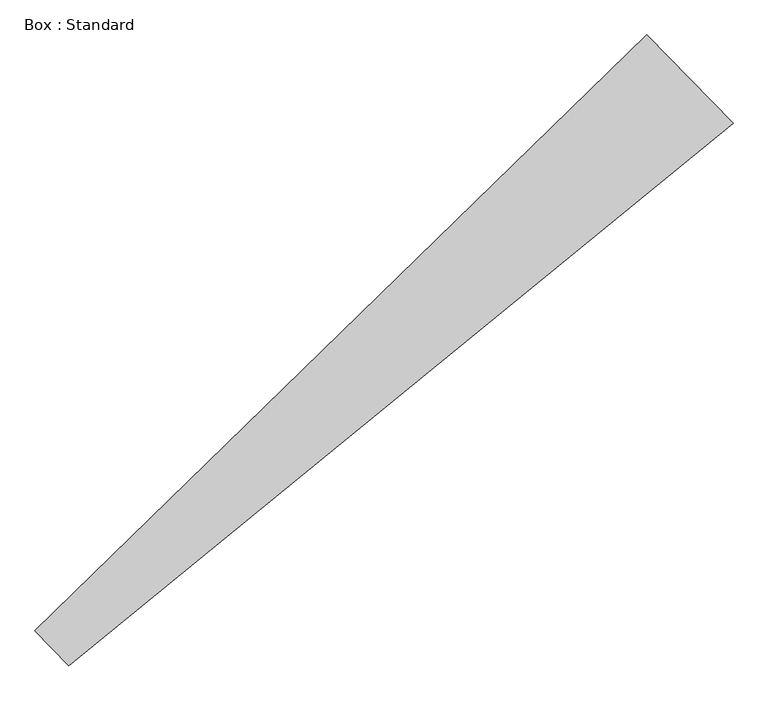
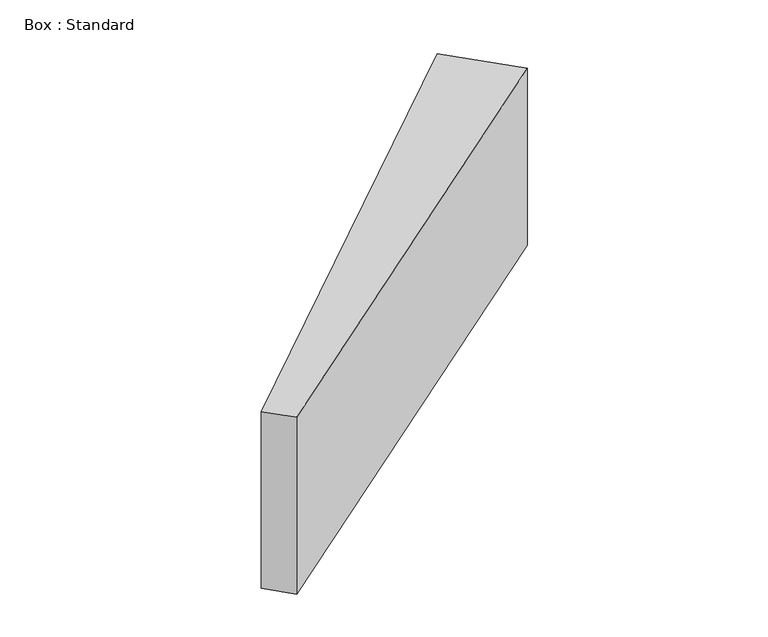
"""IFC4 building model written with IfcOpenShell, lengths in millimetres: plate geometry, Box : Standard."""

from ifc_helpers import new_model, si_unit, frame, origin, place, context, project, spatial, polyline, outline, extrude, source, transform, mapped, element, save


def box_standard_d6c656e3(model_context):
    return source(origin(), model_context, "Body", "SweptSolid", [
        extrude(outline(polyline([(3278.7311812, 3278.7311812), (3133.218851, 3428.1238401), (5753.336257, 5980.1862489), (6122.7137107, 5600.9587299), (3278.7311812, 3278.7311812)])), frame((0.0, 0.0, -1219.2), z_axis=(0.0, 0.0, 1.0), x_axis=(1.0, 0.0, 0.0)), (0.0, 0.0, 1.0), 1219.2),
    ])


if __name__ == "__main__":
    model = new_model("IFC4")
    model_context = context("Model", 3, world=origin())
    ifc_project = project(units=[si_unit("LENGTHUNIT", "METRE", prefix="MILLI")], contexts=[model_context])
    site = spatial("IfcSite", under=ifc_project)
    building = spatial("IfcBuilding", under=site)
    placement = place(None, origin())
    box_standard_shape = box_standard_d6c656e3(model_context)
    element("IfcPlate", 1, ObjectType="Box : Standard", at=placement, inside=building, context=model_context, shape_type="MappedRepresentation", body=[
        mapped(box_standard_shape, transform((0.0, 0.0, 0.0), x_axis=(1.0, 0.0, 0.0), y_axis=(0.0, 1.0, 0.0), z_axis=(0.0, 0.0, 1.0))),
    ])
    save(model, "model.ifc")
